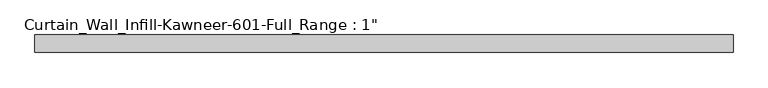
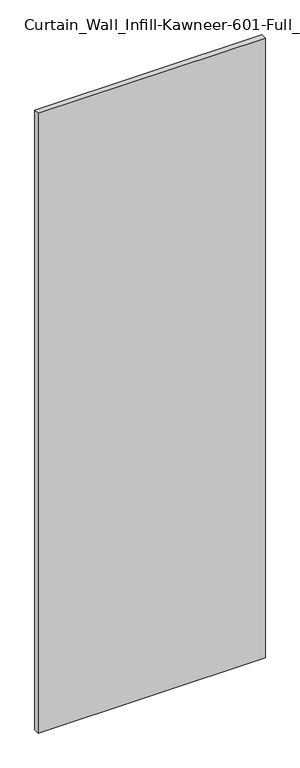
"""IFC4 building model written with IfcOpenShell, lengths in millimetres: plate geometry."""

import ifcopenshell
import ifcopenshell.guid

model = None  # the IFC model being written
_history = None  # IfcOwnerHistory: only IFC2X3 demands one
_inside = {}  # id of a spatial element -> (the spatial element, [elements in it])
_under = {}  # id of a project, library or spatial element -> (it, [spatial elements below it])
_declared = {}  # id of a project -> (the project, [libraries it declares])
_typed = {}  # id of a type object -> (the type object, [elements of that type])
_made_of = {}  # id of a material, layer set ... -> (it, [elements and type objects made of it])


def new_model(schema):
    """Start an empty IFC model of exactly this schema.

    Asked for "IFC4X3", IfcOpenShell would pick the latest addendum, in which some entities
    have other attributes; the version numbers below select the first issue.
    IFC2X3 requires an IfcOwnerHistory on every rooted entity: one is made here for all.
    """
    global model, _history
    if schema == "IFC4X3":
        model = ifcopenshell.file(schema_version=(4, 3, 0, 0))
    else:
        model = ifcopenshell.file(schema=schema)
    _inside.clear()
    _under.clear()
    _declared.clear()
    _typed.clear()
    _made_of.clear()
    _history = None
    if model.schema == "IFC2X3":
        org = make("IfcOrganization", Name="unknown")
        user = make(
            "IfcPersonAndOrganization",
            ThePerson=make("IfcPerson", FamilyName="unknown"),
            TheOrganization=org,
        )
        app = make(
            "IfcApplication",
            ApplicationDeveloper=org,
            Version="unknown",
            ApplicationFullName="unknown",
            ApplicationIdentifier="unknown",
        )
        _history = make(
            "IfcOwnerHistory",
            OwningUser=user,
            OwningApplication=app,
            ChangeAction="ADDED",
            CreationDate=0,
        )
    return model


def make(cls, **values):
    """One entity of the class cls with the attributes given. An attribute that is None is left unset."""
    return model.create_entity(
        cls, **{name: value for name, value in values.items() if value is not None}
    )


def rooted(cls, **values):
    """An entity with a GlobalId (a new one), such as an element, a storey or a relation."""
    return make(cls, GlobalId=ifcopenshell.guid.new(), OwnerHistory=_history, **values)


def si_unit(unit_type, name, prefix=None):
    """IfcSIUnit, for example si_unit("LENGTHUNIT", "METRE", prefix="MILLI")."""
    return make("IfcSIUnit", UnitType=unit_type, Prefix=prefix, Name=name)


def assignment(units):
    """IfcUnitAssignment: the units of a project."""
    return None if units is None else make("IfcUnitAssignment", Units=units)


def point(xyz):
    """IfcCartesianPoint."""
    return None if xyz is None else make("IfcCartesianPoint", Coordinates=xyz)


def direction(xyz):
    """IfcDirection."""
    return None if xyz is None else make("IfcDirection", DirectionRatios=xyz)


def frame(location, z_axis=None, x_axis=None):
    """IfcAxis2Placement3D, a coordinate frame: its origin and axes. An axis left out is left unset."""
    return make(
        "IfcAxis2Placement3D",
        Location=point(location),
        Axis=direction(z_axis),
        RefDirection=direction(x_axis),
    )


def origin():
    """The frame at (0, 0, 0) with its axes left unset."""
    return frame((0.0, 0.0, 0.0))


def origin_with_axes():
    """The frame at (0, 0, 0) with the z axis (0, 0, 1) and the x axis (1, 0, 0) written out."""
    return frame((0.0, 0.0, 0.0), z_axis=(0.0, 0.0, 1.0), x_axis=(1.0, 0.0, 0.0))


def place(relative_to, where):
    """IfcLocalPlacement: puts the frame where relative to a parent placement (None: the world)."""
    return make(
        "IfcLocalPlacement", PlacementRelTo=relative_to, RelativePlacement=where
    )


def context(
    kind, dimensions, precision=None, world=None, true_north=None, identifier=None
):
    """IfcGeometricRepresentationContext, for example the 3D "Model" context."""
    return make(
        "IfcGeometricRepresentationContext",
        ContextIdentifier=identifier,
        ContextType=kind,
        CoordinateSpaceDimension=dimensions,
        Precision=precision,
        WorldCoordinateSystem=world,
        TrueNorth=true_north,
    )


def project(units=None, contexts=None):
    """IfcProject with its units and contexts."""
    return rooted(
        "IfcProject",
        Name="project",
        RepresentationContexts=contexts,
        UnitsInContext=assignment(units),
    )


def spatial(cls, under=None, at=None, **own):
    """A site, building, storey or space (cls), placed at a placement, below another one or the project."""
    s = rooted(cls, ObjectPlacement=at, **own)
    if under is not None:
        _under.setdefault(under.id(), (under, []))[1].append(s)
    return s


def polyline(points):
    """IfcPolyline through the points."""
    return make("IfcPolyline", Points=[point(p) for p in points])


def outline(outer, holes=None, kind="AREA"):
    """IfcArbitraryClosedProfileDef: a profile drawn as a closed curve; with holes, ...WithVoids."""
    if holes is None:
        return make("IfcArbitraryClosedProfileDef", ProfileType=kind, OuterCurve=outer)
    return make(
        "IfcArbitraryProfileDefWithVoids",
        ProfileType=kind,
        OuterCurve=outer,
        InnerCurves=holes,
    )


def extrude(swept, where, along, depth):
    """IfcExtrudedAreaSolid: the profile swept, set in the frame where, extruded along a direction by depth."""
    return make(
        "IfcExtrudedAreaSolid",
        SweptArea=swept,
        Position=where,
        ExtrudedDirection=direction(along),
        Depth=depth,
    )


def shape(context_of_items, identifier, shape_type, items):
    """IfcShapeRepresentation: the items that make up one representation, for example the "Body"."""
    return make(
        "IfcShapeRepresentation",
        ContextOfItems=context_of_items,
        RepresentationIdentifier=identifier,
        RepresentationType=shape_type,
        Items=items,
    )


def source(mapping_origin, context_of_items, identifier, shape_type, items):
    """IfcRepresentationMap: a shape defined once, which mapped items show again and again."""
    return make(
        "IfcRepresentationMap",
        MappingOrigin=mapping_origin,
        MappedRepresentation=shape(context_of_items, identifier, shape_type, items),
    )


def transform(
    local_origin,
    x_axis=None,
    y_axis=None,
    z_axis=None,
    scale=None,
    scale2=None,
    scale3=None,
    uniform=True,
):
    """IfcCartesianTransformationOperator3D, or its non-uniform kind. x_axis, y_axis, z_axis: its Axis1, 2, 3."""
    if uniform:
        return make(
            "IfcCartesianTransformationOperator3D",
            Axis1=direction(x_axis),
            Axis2=direction(y_axis),
            LocalOrigin=point(local_origin),
            Scale=scale,
            Axis3=direction(z_axis),
        )
    return make(
        "IfcCartesianTransformationOperator3DnonUniform",
        Axis1=direction(x_axis),
        Axis2=direction(y_axis),
        LocalOrigin=point(local_origin),
        Scale=scale,
        Axis3=direction(z_axis),
        Scale2=scale2,
        Scale3=scale3,
    )


def mapped(mapping_source, mapping_target):
    """IfcMappedItem: shows the shape of a source again, moved by a transform."""
    return make(
        "IfcMappedItem", MappingSource=mapping_source, MappingTarget=mapping_target
    )


def made_of(thing, what):
    """Note that an element or type object is made of a material, layer set ...; save() writes the relation."""
    if what is not None:
        _made_of.setdefault(what.id(), (what, []))[1].append(thing)
    return thing


def element(
    cls,
    number,
    at=None,
    inside=None,
    cuts=None,
    type_object=None,
    material=None,
    context=None,
    identifier="Body",
    shape_type=None,
    held_by="IfcProductDefinitionShape",
    body=None,
    shapes=None,
    **own,
):
    """One element of the class cls, such as IfcWall. Its Tag is "e" and its number.

    at: its placement. inside: the storey or other place that contains it. cuts: it is an
    opening in that element (IfcRelVoidsElement). A single representation is given by context,
    identifier, shape_type and body (its items); several are given by shapes. held_by: the class
    of the entity that holds the representations. save() writes the other relations.
    """
    e = rooted(cls, Tag="e%d" % number, ObjectPlacement=at, **own)
    if body is not None:
        shapes = [shape(context, identifier, shape_type, body)]
    if shapes is not None:
        e.Representation = make(held_by, Representations=shapes)
    if inside is not None:
        _inside.setdefault(inside.id(), (inside, []))[1].append(e)
    if cuts is not None:
        rooted(
            "IfcRelVoidsElement", RelatingBuildingElement=cuts, RelatedOpeningElement=e
        )
    if type_object is not None:
        _typed.setdefault(type_object.id(), (type_object, []))[1].append(e)
    return made_of(e, material)


def aggregate(whole, parts):
    """IfcRelAggregates: a whole, such as a stair, and the parts it consists of."""
    return rooted("IfcRelAggregates", RelatingObject=whole, RelatedObjects=parts)


def save(model, path):
    """Write the relations noted so far, then the file.

    IfcRelAggregates (storeys below a building ...), IfcRelContainedInSpatialStructure (elements
    in a storey), IfcRelDefinesByType, IfcRelAssociatesMaterial and IfcRelDeclares: one each for
    every whole, place, type object, material and project.
    """
    for whole, parts in _under.values():
        aggregate(whole, parts)
    for where, things in _inside.values():
        rooted(
            "IfcRelContainedInSpatialStructure",
            RelatedElements=things,
            RelatingStructure=where,
        )
    for kind, things in _typed.values():
        rooted("IfcRelDefinesByType", RelatedObjects=things, RelatingType=kind)
    for what, things in _made_of.values():
        rooted("IfcRelAssociatesMaterial", RelatedObjects=things, RelatingMaterial=what)
    for by, libraries in _declared.values():
        rooted("IfcRelDeclares", RelatingContext=by, RelatedDefinitions=libraries)
    model.write(path)


def plate_41dc88bb(model_context):
    return source(origin(), model_context, "Body", "SweptSolid", [
        extrude(outline(polyline([(-508.0, -12.7), (-508.0, 12.7), (508.0, 12.7), (508.0, -12.7), (-508.0, -12.7)])), origin_with_axes(), (0.0, 0.0, 1.0), 2927.35),
    ])


if __name__ == "__main__":
    model = new_model("IFC4")
    model_context = context("Model", 3, world=origin())
    ifc_project = project(units=[si_unit("LENGTHUNIT", "METRE", prefix="MILLI")], contexts=[model_context])
    site = spatial("IfcSite", under=ifc_project)
    building = spatial("IfcBuilding", under=site)
    placement = place(None, origin())
    plate_shape = plate_41dc88bb(model_context)
    element("IfcPlate", 1, ObjectType="Curtain_Wall_Infill-Kawneer-601-Full_Range : 1\"", at=placement, inside=building, context=model_context, shape_type="MappedRepresentation", body=[
        mapped(plate_shape, transform((0.0, 0.0, 0.0), x_axis=(1.0, 0.0, 0.0), y_axis=(0.0, 1.0, 0.0), z_axis=(0.0, 0.0, 1.0))),
    ])
    save(model, "model.ifc")
